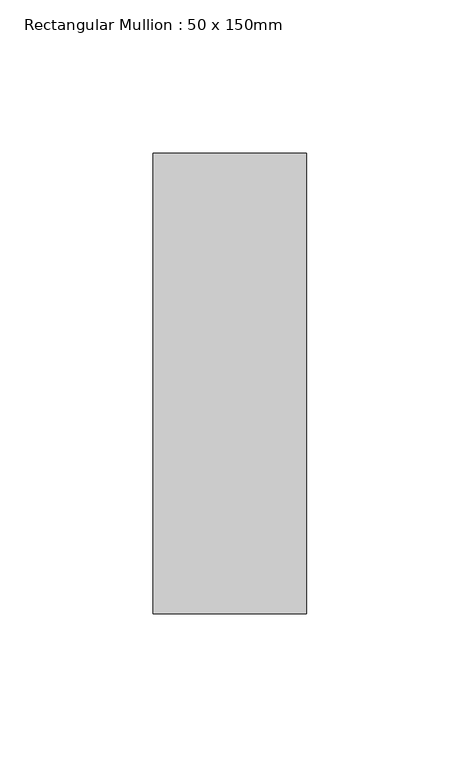
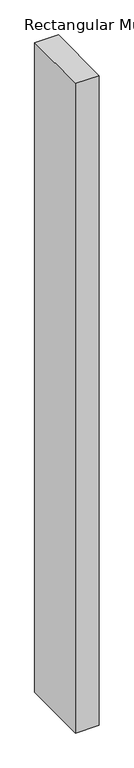
"""IFC4 building model written with IfcOpenShell, lengths in millimetres: member geometry, Rectangular Mullion : 50 x 150mm."""

from ifc_helpers import new_model, si_unit, frame, origin, place, context, project, spatial, polyline, outline, extrude, source, transform, mapped, element, save


def rectangular_mullion_50_x_150mm_08838235(model_context):
    return source(origin(), model_context, "Body", "SweptSolid", [
        extrude(outline(polyline([(0.0, 75.0), (0.0, -75.0), (-50.0, -75.0), (-50.0, 75.0), (0.0, 75.0)])), frame((0.0, 0.0, -1455.004786), z_axis=(0.0, 0.0, 1.0), x_axis=(1.0, 0.0, 0.0)), (0.0, 0.0, 1.0), 1455.004786),
    ])


if __name__ == "__main__":
    model = new_model("IFC4")
    model_context = context("Model", 3, world=origin())
    ifc_project = project(units=[si_unit("LENGTHUNIT", "METRE", prefix="MILLI")], contexts=[model_context])
    site = spatial("IfcSite", under=ifc_project)
    building = spatial("IfcBuilding", under=site)
    placement = place(None, origin())
    rectangular_mullion_50_x_150mm_shape = rectangular_mullion_50_x_150mm_08838235(model_context)
    element("IfcMember", 1, ObjectType="Rectangular Mullion : 50 x 150mm", at=placement, inside=building, context=model_context, shape_type="MappedRepresentation", body=[
        mapped(rectangular_mullion_50_x_150mm_shape, transform((0.0, 0.0, 0.0), x_axis=(1.0, 0.0, 0.0), y_axis=(0.0, 1.0, 0.0), z_axis=(0.0, 0.0, 1.0))),
    ])
    save(model, "model.ifc")
